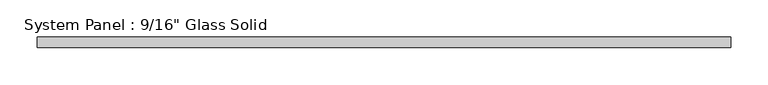
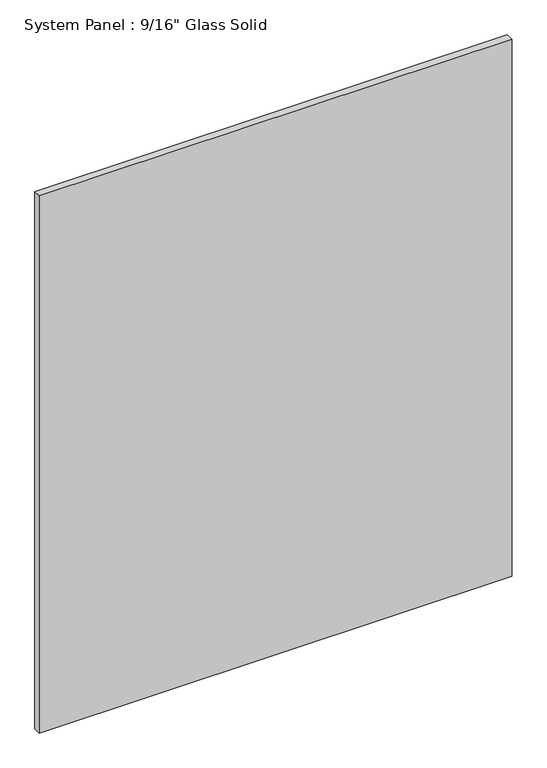
"""IFC4 building model written with IfcOpenShell, lengths in millimetres: plate geometry."""

import ifcopenshell
import ifcopenshell.guid

model = None  # the IFC model being written
_history = None  # IfcOwnerHistory: only IFC2X3 demands one
_inside = {}  # id of a spatial element -> (the spatial element, [elements in it])
_under = {}  # id of a project, library or spatial element -> (it, [spatial elements below it])
_declared = {}  # id of a project -> (the project, [libraries it declares])
_typed = {}  # id of a type object -> (the type object, [elements of that type])
_made_of = {}  # id of a material, layer set ... -> (it, [elements and type objects made of it])


def new_model(schema):
    """Start an empty IFC model of exactly this schema.

    Asked for "IFC4X3", IfcOpenShell would pick the latest addendum, in which some entities
    have other attributes; the version numbers below select the first issue.
    IFC2X3 requires an IfcOwnerHistory on every rooted entity: one is made here for all.
    """
    global model, _history
    if schema == "IFC4X3":
        model = ifcopenshell.file(schema_version=(4, 3, 0, 0))
    else:
        model = ifcopenshell.file(schema=schema)
    _inside.clear()
    _under.clear()
    _declared.clear()
    _typed.clear()
    _made_of.clear()
    _history = None
    if model.schema == "IFC2X3":
        org = make("IfcOrganization", Name="unknown")
        user = make(
            "IfcPersonAndOrganization",
            ThePerson=make("IfcPerson", FamilyName="unknown"),
            TheOrganization=org,
        )
        app = make(
            "IfcApplication",
            ApplicationDeveloper=org,
            Version="unknown",
            ApplicationFullName="unknown",
            ApplicationIdentifier="unknown",
        )
        _history = make(
            "IfcOwnerHistory",
            OwningUser=user,
            OwningApplication=app,
            ChangeAction="ADDED",
            CreationDate=0,
        )
    return model


def make(cls, **values):
    """One entity of the class cls with the attributes given. An attribute that is None is left unset."""
    return model.create_entity(
        cls, **{name: value for name, value in values.items() if value is not None}
    )


def rooted(cls, **values):
    """An entity with a GlobalId (a new one), such as an element, a storey or a relation."""
    return make(cls, GlobalId=ifcopenshell.guid.new(), OwnerHistory=_history, **values)


def si_unit(unit_type, name, prefix=None):
    """IfcSIUnit, for example si_unit("LENGTHUNIT", "METRE", prefix="MILLI")."""
    return make("IfcSIUnit", UnitType=unit_type, Prefix=prefix, Name=name)


def assignment(units):
    """IfcUnitAssignment: the units of a project."""
    return None if units is None else make("IfcUnitAssignment", Units=units)


def point(xyz):
    """IfcCartesianPoint."""
    return None if xyz is None else make("IfcCartesianPoint", Coordinates=xyz)


def direction(xyz):
    """IfcDirection."""
    return None if xyz is None else make("IfcDirection", DirectionRatios=xyz)


def frame(location, z_axis=None, x_axis=None):
    """IfcAxis2Placement3D, a coordinate frame: its origin and axes. An axis left out is left unset."""
    return make(
        "IfcAxis2Placement3D",
        Location=point(location),
        Axis=direction(z_axis),
        RefDirection=direction(x_axis),
    )


def origin():
    """The frame at (0, 0, 0) with its axes left unset."""
    return frame((0.0, 0.0, 0.0))


def origin_with_axes():
    """The frame at (0, 0, 0) with the z axis (0, 0, 1) and the x axis (1, 0, 0) written out."""
    return frame((0.0, 0.0, 0.0), z_axis=(0.0, 0.0, 1.0), x_axis=(1.0, 0.0, 0.0))


def place(relative_to, where):
    """IfcLocalPlacement: puts the frame where relative to a parent placement (None: the world)."""
    return make(
        "IfcLocalPlacement", PlacementRelTo=relative_to, RelativePlacement=where
    )


def context(
    kind, dimensions, precision=None, world=None, true_north=None, identifier=None
):
    """IfcGeometricRepresentationContext, for example the 3D "Model" context."""
    return make(
        "IfcGeometricRepresentationContext",
        ContextIdentifier=identifier,
        ContextType=kind,
        CoordinateSpaceDimension=dimensions,
        Precision=precision,
        WorldCoordinateSystem=world,
        TrueNorth=true_north,
    )


def project(units=None, contexts=None):
    """IfcProject with its units and contexts."""
    return rooted(
        "IfcProject",
        Name="project",
        RepresentationContexts=contexts,
        UnitsInContext=assignment(units),
    )


def spatial(cls, under=None, at=None, **own):
    """A site, building, storey or space (cls), placed at a placement, below another one or the project."""
    s = rooted(cls, ObjectPlacement=at, **own)
    if under is not None:
        _under.setdefault(under.id(), (under, []))[1].append(s)
    return s


def polyline(points):
    """IfcPolyline through the points."""
    return make("IfcPolyline", Points=[point(p) for p in points])


def outline(outer, holes=None, kind="AREA"):
    """IfcArbitraryClosedProfileDef: a profile drawn as a closed curve; with holes, ...WithVoids."""
    if holes is None:
        return make("IfcArbitraryClosedProfileDef", ProfileType=kind, OuterCurve=outer)
    return make(
        "IfcArbitraryProfileDefWithVoids",
        ProfileType=kind,
        OuterCurve=outer,
        InnerCurves=holes,
    )


def extrude(swept, where, along, depth):
    """IfcExtrudedAreaSolid: the profile swept, set in the frame where, extruded along a direction by depth."""
    return make(
        "IfcExtrudedAreaSolid",
        SweptArea=swept,
        Position=where,
        ExtrudedDirection=direction(along),
        Depth=depth,
    )


def shape(context_of_items, identifier, shape_type, items):
    """IfcShapeRepresentation: the items that make up one representation, for example the "Body"."""
    return make(
        "IfcShapeRepresentation",
        ContextOfItems=context_of_items,
        RepresentationIdentifier=identifier,
        RepresentationType=shape_type,
        Items=items,
    )


def source(mapping_origin, context_of_items, identifier, shape_type, items):
    """IfcRepresentationMap: a shape defined once, which mapped items show again and again."""
    return make(
        "IfcRepresentationMap",
        MappingOrigin=mapping_origin,
        MappedRepresentation=shape(context_of_items, identifier, shape_type, items),
    )


def transform(
    local_origin,
    x_axis=None,
    y_axis=None,
    z_axis=None,
    scale=None,
    scale2=None,
    scale3=None,
    uniform=True,
):
    """IfcCartesianTransformationOperator3D, or its non-uniform kind. x_axis, y_axis, z_axis: its Axis1, 2, 3."""
    if uniform:
        return make(
            "IfcCartesianTransformationOperator3D",
            Axis1=direction(x_axis),
            Axis2=direction(y_axis),
            LocalOrigin=point(local_origin),
            Scale=scale,
            Axis3=direction(z_axis),
        )
    return make(
        "IfcCartesianTransformationOperator3DnonUniform",
        Axis1=direction(x_axis),
        Axis2=direction(y_axis),
        LocalOrigin=point(local_origin),
        Scale=scale,
        Axis3=direction(z_axis),
        Scale2=scale2,
        Scale3=scale3,
    )


def mapped(mapping_source, mapping_target):
    """IfcMappedItem: shows the shape of a source again, moved by a transform."""
    return make(
        "IfcMappedItem", MappingSource=mapping_source, MappingTarget=mapping_target
    )


def made_of(thing, what):
    """Note that an element or type object is made of a material, layer set ...; save() writes the relation."""
    if what is not None:
        _made_of.setdefault(what.id(), (what, []))[1].append(thing)
    return thing


def element(
    cls,
    number,
    at=None,
    inside=None,
    cuts=None,
    type_object=None,
    material=None,
    context=None,
    identifier="Body",
    shape_type=None,
    held_by="IfcProductDefinitionShape",
    body=None,
    shapes=None,
    **own,
):
    """One element of the class cls, such as IfcWall. Its Tag is "e" and its number.

    at: its placement. inside: the storey or other place that contains it. cuts: it is an
    opening in that element (IfcRelVoidsElement). A single representation is given by context,
    identifier, shape_type and body (its items); several are given by shapes. held_by: the class
    of the entity that holds the representations. save() writes the other relations.
    """
    e = rooted(cls, Tag="e%d" % number, ObjectPlacement=at, **own)
    if body is not None:
        shapes = [shape(context, identifier, shape_type, body)]
    if shapes is not None:
        e.Representation = make(held_by, Representations=shapes)
    if inside is not None:
        _inside.setdefault(inside.id(), (inside, []))[1].append(e)
    if cuts is not None:
        rooted(
            "IfcRelVoidsElement", RelatingBuildingElement=cuts, RelatedOpeningElement=e
        )
    if type_object is not None:
        _typed.setdefault(type_object.id(), (type_object, []))[1].append(e)
    return made_of(e, material)


def aggregate(whole, parts):
    """IfcRelAggregates: a whole, such as a stair, and the parts it consists of."""
    return rooted("IfcRelAggregates", RelatingObject=whole, RelatedObjects=parts)


def save(model, path):
    """Write the relations noted so far, then the file.

    IfcRelAggregates (storeys below a building ...), IfcRelContainedInSpatialStructure (elements
    in a storey), IfcRelDefinesByType, IfcRelAssociatesMaterial and IfcRelDeclares: one each for
    every whole, place, type object, material and project.
    """
    for whole, parts in _under.values():
        aggregate(whole, parts)
    for where, things in _inside.values():
        rooted(
            "IfcRelContainedInSpatialStructure",
            RelatedElements=things,
            RelatingStructure=where,
        )
    for kind, things in _typed.values():
        rooted("IfcRelDefinesByType", RelatedObjects=things, RelatingType=kind)
    for what, things in _made_of.values():
        rooted("IfcRelAssociatesMaterial", RelatedObjects=things, RelatingMaterial=what)
    for by, libraries in _declared.values():
        rooted("IfcRelDeclares", RelatingContext=by, RelatedDefinitions=libraries)
    model.write(path)


def plate_acc3c3b3(model_context):
    return source(origin(), model_context, "Body", "SweptSolid", [
        extrude(outline(polyline([(466.1470691, -7.14375), (-466.1470691, -7.14375), (-466.1470691, 7.14375), (466.1470691, 7.14375), (466.1470691, -7.14375)])), origin_with_axes(), (0.0, 0.0, 1.0), 1119.6191382),
    ])


if __name__ == "__main__":
    model = new_model("IFC4")
    model_context = context("Model", 3, world=origin())
    ifc_project = project(units=[si_unit("LENGTHUNIT", "METRE", prefix="MILLI")], contexts=[model_context])
    site = spatial("IfcSite", under=ifc_project)
    building = spatial("IfcBuilding", under=site)
    placement = place(None, origin())
    plate_shape = plate_acc3c3b3(model_context)
    element("IfcPlate", 1, ObjectType="System Panel : 9/16\" Glass Solid", at=placement, inside=building, context=model_context, shape_type="MappedRepresentation", body=[
        mapped(plate_shape, transform((0.0, 0.0, 0.0), x_axis=(1.0, 0.0, 0.0), y_axis=(0.0, 1.0, 0.0), z_axis=(0.0, 0.0, 1.0))),
    ])
    save(model, "model.ifc")
